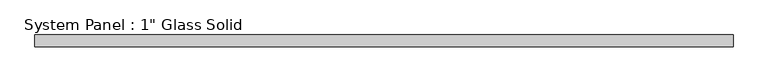
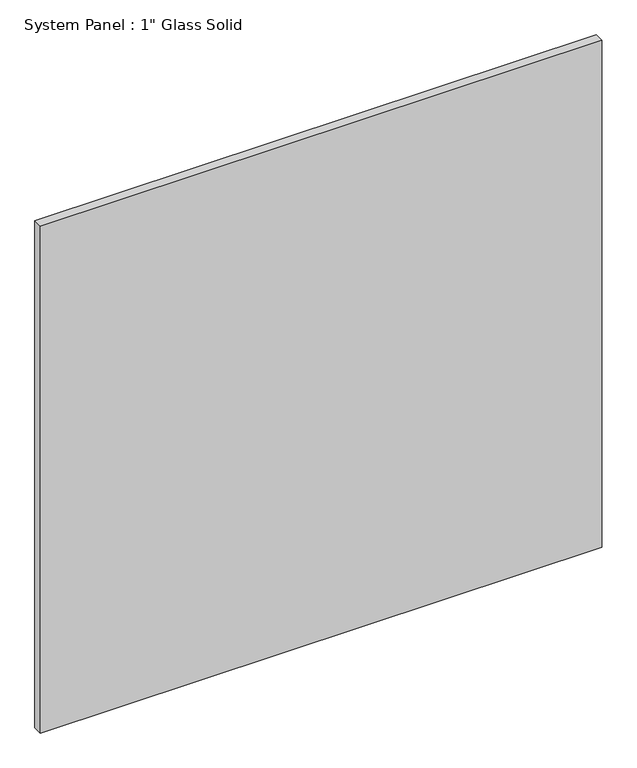
"""IFC4 building model written with IfcOpenShell, lengths in millimetres: plate geometry."""

from ifc_helpers import new_model, si_unit, origin, origin_with_axes, place, context, project, spatial, polyline, outline, extrude, source, transform, mapped, element, save


def plate_0813aef6(model_context):
    return source(origin(), model_context, "Body", "SweptSolid", [
        extrude(outline(polyline([(740.8342185, -12.7), (-740.8342185, -12.7), (-740.8342185, 12.7), (740.8342185, 12.7), (740.8342185, -12.7)])), origin_with_axes(), (0.0, 0.0, 1.0), 1413.6241382),
    ])


if __name__ == "__main__":
    model = new_model("IFC4")
    model_context = context("Model", 3, world=origin())
    ifc_project = project(units=[si_unit("LENGTHUNIT", "METRE", prefix="MILLI")], contexts=[model_context])
    site = spatial("IfcSite", under=ifc_project)
    building = spatial("IfcBuilding", under=site)
    placement = place(None, origin())
    plate_shape = plate_0813aef6(model_context)
    element("IfcPlate", 1, ObjectType="System Panel : 1\" Glass Solid", at=placement, inside=building, context=model_context, shape_type="MappedRepresentation", body=[
        mapped(plate_shape, transform((0.0, 0.0, 0.0), x_axis=(1.0, 0.0, 0.0), y_axis=(0.0, 1.0, 0.0), z_axis=(0.0, 0.0, 1.0))),
    ])
    save(model, "model.ifc")
